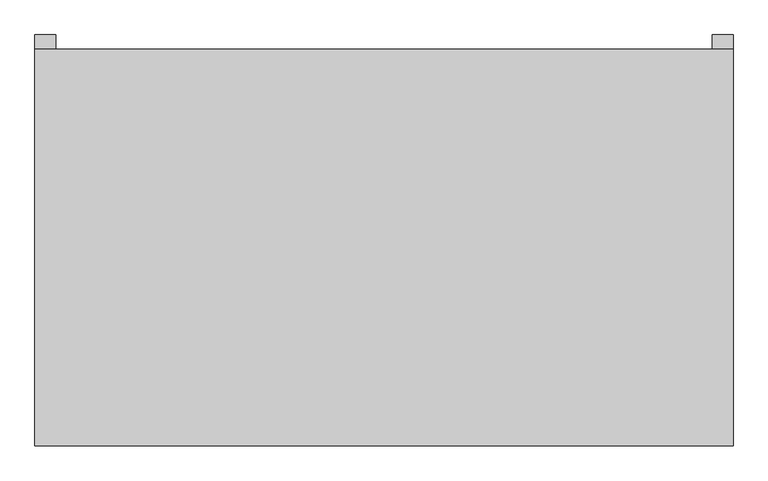
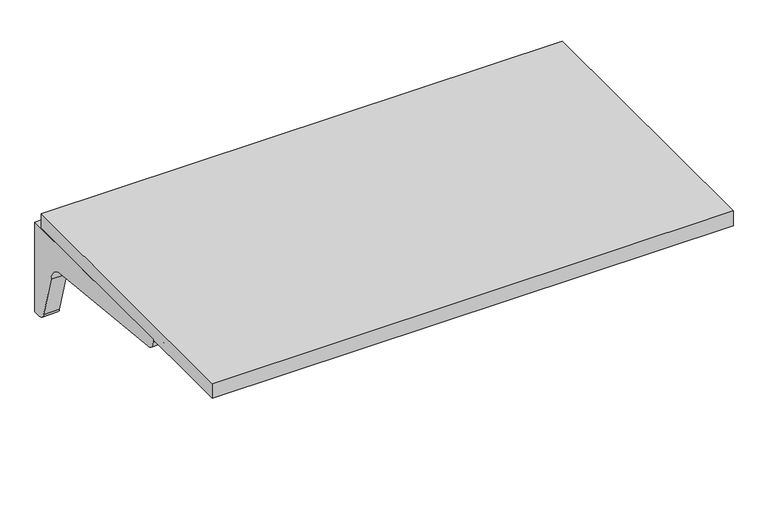
"""IFC4 building model written with IfcOpenShell, lengths in millimetres: furniture geometry."""

from ifc_helpers import new_model, si_unit, point, frame, frame_2d, origin, place, context, project, spatial, polyline, circle_curve, trimmed, segment, composite_curve, outline, extrude, source, transform, mapped, element, save


def furniture_b6d73ecd(model_context):
    return source(origin(), model_context, "Body", "SweptSolid", [
        extrude(outline(composite_curve([segment(polyline([(314.325, 704.85), (314.325, 511.175), (301.625, 511.175)]), True, "CONTINUOUS"), segment(trimmed(circle_curve(frame_2d((299.3081081, 528.3371622)), 17.3178462), [point((301.625, 511.175))], [point((282.575, 523.875))], False, "CARTESIAN"), True, "CONTINUOUS"), segment(polyline([(282.575, 523.875), (257.175, 615.95)]), True, "CONTINUOUS"), segment(trimmed(circle_curve(frame_2d((221.8170455, 612.3420455)), 35.5415572), [point((257.175, 615.95))], [point((225.425, 647.7))], True, "CARTESIAN"), True, "CONTINUOUS"), segment(polyline([(225.425, 647.7), (-85.725, 679.45)]), True, "CONTINUOUS"), segment(trimmed(circle_curve(frame_2d((-85.725, 698.5)), 19.05), [point((-85.725, 679.45))], [point((-104.775, 698.5))], False, "CARTESIAN"), True, "CONTINUOUS"), segment(polyline([(-104.775, 698.5), (-104.775, 704.85), (314.325, 704.85)]), True, "CONTINUOUS")], self_intersect=False)), frame((501.65, 0.0, 0.0), z_axis=(1.0, 0.0, 0.0), x_axis=(0.0, 1.0, 0.0)), (0.0, 0.0, 1.0), 31.75),
        extrude(outline(composite_curve([segment(polyline([(314.325, 704.85), (314.325, 511.175), (301.625, 511.175)]), True, "CONTINUOUS"), segment(trimmed(circle_curve(frame_2d((299.3081081, 528.3371622)), 17.3178462), [point((301.625, 511.175))], [point((282.575, 523.875))], False, "CARTESIAN"), True, "CONTINUOUS"), segment(polyline([(282.575, 523.875), (257.175, 615.95)]), True, "CONTINUOUS"), segment(trimmed(circle_curve(frame_2d((221.8170455, 612.3420455)), 35.5415572), [point((257.175, 615.95))], [point((225.425, 647.7))], True, "CARTESIAN"), True, "CONTINUOUS"), segment(polyline([(225.425, 647.7), (-85.725, 679.45)]), True, "CONTINUOUS"), segment(trimmed(circle_curve(frame_2d((-85.725, 698.5)), 19.05), [point((-85.725, 679.45))], [point((-104.775, 698.5))], False, "CARTESIAN"), True, "CONTINUOUS"), segment(polyline([(-104.775, 698.5), (-104.775, 704.85), (314.325, 704.85)]), True, "CONTINUOUS")], self_intersect=False)), frame((-533.4, 0.0, 0.0), z_axis=(1.0, 0.0, 0.0), x_axis=(0.0, 1.0, 0.0)), (0.0, 0.0, 1.0), 31.75),
        extrude(outline(polyline([(-533.4, 292.1), (533.4, 292.1), (533.4, -314.325), (-533.4, -314.325), (-533.4, 292.1)])), frame((0.0, 0.0, 704.85), z_axis=(0.0, 0.0, 1.0), x_axis=(1.0, 0.0, 0.0)), (0.0, 0.0, 1.0), 31.75),
    ])


if __name__ == "__main__":
    model = new_model("IFC4")
    model_context = context("Model", 3, world=origin())
    ifc_project = project(units=[si_unit("LENGTHUNIT", "METRE", prefix="MILLI")], contexts=[model_context])
    site = spatial("IfcSite", under=ifc_project)
    building = spatial("IfcBuilding", under=site)
    placement = place(None, origin())
    furniture_shape = furniture_b6d73ecd(model_context)
    element("IfcFurniture", 1, at=placement, inside=building, context=model_context, shape_type="MappedRepresentation", body=[
        mapped(furniture_shape, transform((0.0, 0.0, 0.0), x_axis=(1.0, 0.0, 0.0), y_axis=(0.0, 1.0, 0.0), z_axis=(0.0, 0.0, 1.0))),
    ])
    save(model, "model.ifc")
